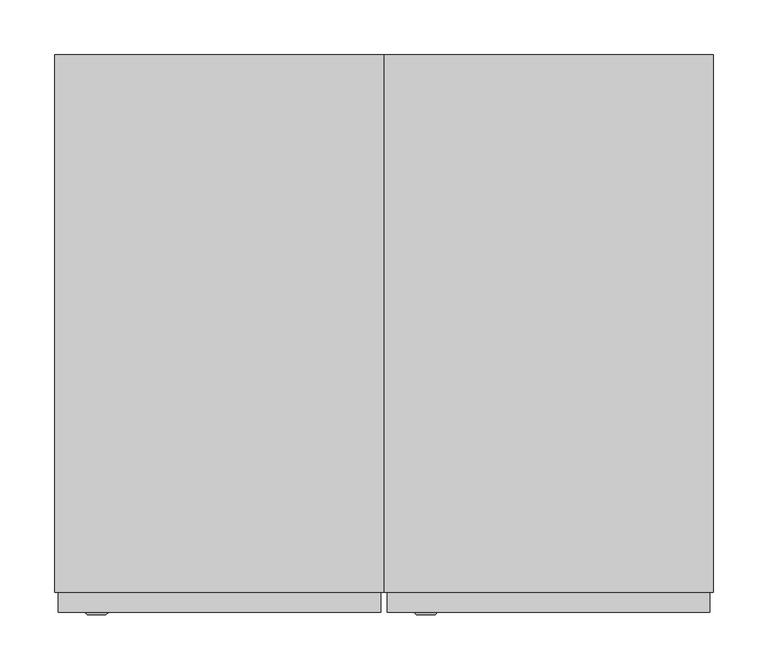
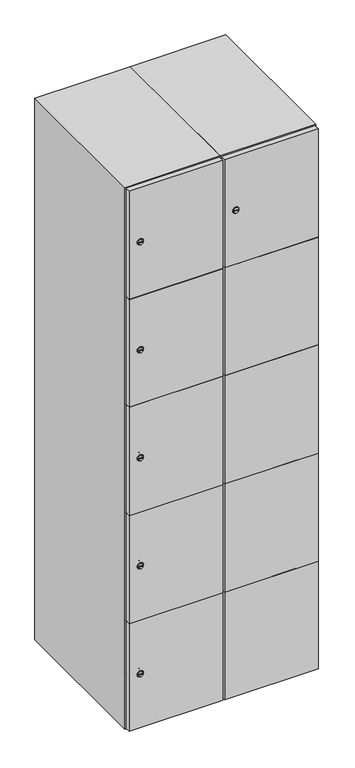
"""IFC4 building model written with IfcOpenShell, lengths in millimetres: furniture geometry."""

import ifcopenshell
import ifcopenshell.guid

model = None  # the IFC model being written
_history = None  # IfcOwnerHistory: only IFC2X3 demands one
_inside = {}  # id of a spatial element -> (the spatial element, [elements in it])
_under = {}  # id of a project, library or spatial element -> (it, [spatial elements below it])
_declared = {}  # id of a project -> (the project, [libraries it declares])
_typed = {}  # id of a type object -> (the type object, [elements of that type])
_made_of = {}  # id of a material, layer set ... -> (it, [elements and type objects made of it])


def new_model(schema):
    """Start an empty IFC model of exactly this schema.

    Asked for "IFC4X3", IfcOpenShell would pick the latest addendum, in which some entities
    have other attributes; the version numbers below select the first issue.
    IFC2X3 requires an IfcOwnerHistory on every rooted entity: one is made here for all.
    """
    global model, _history
    if schema == "IFC4X3":
        model = ifcopenshell.file(schema_version=(4, 3, 0, 0))
    else:
        model = ifcopenshell.file(schema=schema)
    _inside.clear()
    _under.clear()
    _declared.clear()
    _typed.clear()
    _made_of.clear()
    _history = None
    if model.schema == "IFC2X3":
        org = make("IfcOrganization", Name="unknown")
        user = make(
            "IfcPersonAndOrganization",
            ThePerson=make("IfcPerson", FamilyName="unknown"),
            TheOrganization=org,
        )
        app = make(
            "IfcApplication",
            ApplicationDeveloper=org,
            Version="unknown",
            ApplicationFullName="unknown",
            ApplicationIdentifier="unknown",
        )
        _history = make(
            "IfcOwnerHistory",
            OwningUser=user,
            OwningApplication=app,
            ChangeAction="ADDED",
            CreationDate=0,
        )
    return model


def make(cls, **values):
    """One entity of the class cls with the attributes given. An attribute that is None is left unset."""
    return model.create_entity(
        cls, **{name: value for name, value in values.items() if value is not None}
    )


def rooted(cls, **values):
    """An entity with a GlobalId (a new one), such as an element, a storey or a relation."""
    return make(cls, GlobalId=ifcopenshell.guid.new(), OwnerHistory=_history, **values)


def si_unit(unit_type, name, prefix=None):
    """IfcSIUnit, for example si_unit("LENGTHUNIT", "METRE", prefix="MILLI")."""
    return make("IfcSIUnit", UnitType=unit_type, Prefix=prefix, Name=name)


def assignment(units):
    """IfcUnitAssignment: the units of a project."""
    return None if units is None else make("IfcUnitAssignment", Units=units)


def point(xyz):
    """IfcCartesianPoint."""
    return None if xyz is None else make("IfcCartesianPoint", Coordinates=xyz)


def direction(xyz):
    """IfcDirection."""
    return None if xyz is None else make("IfcDirection", DirectionRatios=xyz)


def frame(location, z_axis=None, x_axis=None):
    """IfcAxis2Placement3D, a coordinate frame: its origin and axes. An axis left out is left unset."""
    return make(
        "IfcAxis2Placement3D",
        Location=point(location),
        Axis=direction(z_axis),
        RefDirection=direction(x_axis),
    )


def frame_2d(location, x_axis=None):
    """IfcAxis2Placement2D, a coordinate frame in the plane: its origin and x axis."""
    return make(
        "IfcAxis2Placement2D", Location=point(location), RefDirection=direction(x_axis)
    )


def origin():
    """The frame at (0, 0, 0) with its axes left unset."""
    return frame((0.0, 0.0, 0.0))


def place(relative_to, where):
    """IfcLocalPlacement: puts the frame where relative to a parent placement (None: the world)."""
    return make(
        "IfcLocalPlacement", PlacementRelTo=relative_to, RelativePlacement=where
    )


def context(
    kind, dimensions, precision=None, world=None, true_north=None, identifier=None
):
    """IfcGeometricRepresentationContext, for example the 3D "Model" context."""
    return make(
        "IfcGeometricRepresentationContext",
        ContextIdentifier=identifier,
        ContextType=kind,
        CoordinateSpaceDimension=dimensions,
        Precision=precision,
        WorldCoordinateSystem=world,
        TrueNorth=true_north,
    )


def project(units=None, contexts=None):
    """IfcProject with its units and contexts."""
    return rooted(
        "IfcProject",
        Name="project",
        RepresentationContexts=contexts,
        UnitsInContext=assignment(units),
    )


def spatial(cls, under=None, at=None, **own):
    """A site, building, storey or space (cls), placed at a placement, below another one or the project."""
    s = rooted(cls, ObjectPlacement=at, **own)
    if under is not None:
        _under.setdefault(under.id(), (under, []))[1].append(s)
    return s


def polyline(points):
    """IfcPolyline through the points."""
    return make("IfcPolyline", Points=[point(p) for p in points])


def circle_curve(where, radius):
    """IfcCircle in the frame where."""
    return make("IfcCircle", Position=where, Radius=radius)


def trimmed(basis, trim1, trim2, sense, master):
    """IfcTrimmedCurve: the piece of a basis curve between two trims."""
    return make(
        "IfcTrimmedCurve",
        BasisCurve=basis,
        Trim1=trim1,
        Trim2=trim2,
        SenseAgreement=sense,
        MasterRepresentation=master,
    )


def segment(curve, same_sense, transition):
    """IfcCompositeCurveSegment."""
    return make(
        "IfcCompositeCurveSegment",
        Transition=transition,
        SameSense=same_sense,
        ParentCurve=curve,
    )


def composite_curve(segments, self_intersect=None):
    """IfcCompositeCurve: segments joined end to end."""
    return make("IfcCompositeCurve", Segments=segments, SelfIntersect=self_intersect)


def outline(outer, holes=None, kind="AREA"):
    """IfcArbitraryClosedProfileDef: a profile drawn as a closed curve; with holes, ...WithVoids."""
    if holes is None:
        return make("IfcArbitraryClosedProfileDef", ProfileType=kind, OuterCurve=outer)
    return make(
        "IfcArbitraryProfileDefWithVoids",
        ProfileType=kind,
        OuterCurve=outer,
        InnerCurves=holes,
    )


def extrude(swept, where, along, depth):
    """IfcExtrudedAreaSolid: the profile swept, set in the frame where, extruded along a direction by depth."""
    return make(
        "IfcExtrudedAreaSolid",
        SweptArea=swept,
        Position=where,
        ExtrudedDirection=direction(along),
        Depth=depth,
    )


def faces_of(points, faces, orient=None, outer=None):
    """IfcFace entities. A face is a list of loops; a loop is a list of indices into points, from 0.

    orient and outer hold one flag for each loop. By default every Orientation is true, the
    first loop of a face is its IfcFaceOuterBound and the others are IfcFaceBound.
    """
    made = []
    for i, loops in enumerate(faces):
        bounds = []
        for j, loop in enumerate(loops):
            is_outer = j == 0 if outer is None else outer[i][j]
            bounds.append(
                make(
                    "IfcFaceOuterBound" if is_outer else "IfcFaceBound",
                    Bound=make("IfcPolyLoop", Polygon=[points[k] for k in loop]),
                    Orientation=True if orient is None else orient[i][j],
                )
            )
        made.append(make("IfcFace", Bounds=bounds))
    return made


def faceted_brep(points, faces, orient=None, outer=None, voids=None):
    """IfcFacetedBrep: a solid bounded by flat faces; with voids (closed shells), ...WithVoids."""
    shared = [point(p) for p in points]
    hull = make("IfcClosedShell", CfsFaces=faces_of(shared, faces, orient, outer))
    if voids is None:
        return make("IfcFacetedBrep", Outer=hull)
    return make(
        "IfcFacetedBrepWithVoids",
        Outer=hull,
        Voids=[
            make(cls, CfsFaces=faces_of(shared, fs, o, b)) for cls, fs, o, b in voids
        ],
    )


def shape(context_of_items, identifier, shape_type, items):
    """IfcShapeRepresentation: the items that make up one representation, for example the "Body"."""
    return make(
        "IfcShapeRepresentation",
        ContextOfItems=context_of_items,
        RepresentationIdentifier=identifier,
        RepresentationType=shape_type,
        Items=items,
    )


def source(mapping_origin, context_of_items, identifier, shape_type, items):
    """IfcRepresentationMap: a shape defined once, which mapped items show again and again."""
    return make(
        "IfcRepresentationMap",
        MappingOrigin=mapping_origin,
        MappedRepresentation=shape(context_of_items, identifier, shape_type, items),
    )


def transform(
    local_origin,
    x_axis=None,
    y_axis=None,
    z_axis=None,
    scale=None,
    scale2=None,
    scale3=None,
    uniform=True,
):
    """IfcCartesianTransformationOperator3D, or its non-uniform kind. x_axis, y_axis, z_axis: its Axis1, 2, 3."""
    if uniform:
        return make(
            "IfcCartesianTransformationOperator3D",
            Axis1=direction(x_axis),
            Axis2=direction(y_axis),
            LocalOrigin=point(local_origin),
            Scale=scale,
            Axis3=direction(z_axis),
        )
    return make(
        "IfcCartesianTransformationOperator3DnonUniform",
        Axis1=direction(x_axis),
        Axis2=direction(y_axis),
        LocalOrigin=point(local_origin),
        Scale=scale,
        Axis3=direction(z_axis),
        Scale2=scale2,
        Scale3=scale3,
    )


def mapped(mapping_source, mapping_target):
    """IfcMappedItem: shows the shape of a source again, moved by a transform."""
    return make(
        "IfcMappedItem", MappingSource=mapping_source, MappingTarget=mapping_target
    )


def made_of(thing, what):
    """Note that an element or type object is made of a material, layer set ...; save() writes the relation."""
    if what is not None:
        _made_of.setdefault(what.id(), (what, []))[1].append(thing)
    return thing


def element(
    cls,
    number,
    at=None,
    inside=None,
    cuts=None,
    type_object=None,
    material=None,
    context=None,
    identifier="Body",
    shape_type=None,
    held_by="IfcProductDefinitionShape",
    body=None,
    shapes=None,
    **own,
):
    """One element of the class cls, such as IfcWall. Its Tag is "e" and its number.

    at: its placement. inside: the storey or other place that contains it. cuts: it is an
    opening in that element (IfcRelVoidsElement). A single representation is given by context,
    identifier, shape_type and body (its items); several are given by shapes. held_by: the class
    of the entity that holds the representations. save() writes the other relations.
    """
    e = rooted(cls, Tag="e%d" % number, ObjectPlacement=at, **own)
    if body is not None:
        shapes = [shape(context, identifier, shape_type, body)]
    if shapes is not None:
        e.Representation = make(held_by, Representations=shapes)
    if inside is not None:
        _inside.setdefault(inside.id(), (inside, []))[1].append(e)
    if cuts is not None:
        rooted(
            "IfcRelVoidsElement", RelatingBuildingElement=cuts, RelatedOpeningElement=e
        )
    if type_object is not None:
        _typed.setdefault(type_object.id(), (type_object, []))[1].append(e)
    return made_of(e, material)


def aggregate(whole, parts):
    """IfcRelAggregates: a whole, such as a stair, and the parts it consists of."""
    return rooted("IfcRelAggregates", RelatingObject=whole, RelatedObjects=parts)


def save(model, path):
    """Write the relations noted so far, then the file.

    IfcRelAggregates (storeys below a building ...), IfcRelContainedInSpatialStructure (elements
    in a storey), IfcRelDefinesByType, IfcRelAssociatesMaterial and IfcRelDeclares: one each for
    every whole, place, type object, material and project.
    """
    for whole, parts in _under.values():
        aggregate(whole, parts)
    for where, things in _inside.values():
        rooted(
            "IfcRelContainedInSpatialStructure",
            RelatedElements=things,
            RelatingStructure=where,
        )
    for kind, things in _typed.values():
        rooted("IfcRelDefinesByType", RelatedObjects=things, RelatingType=kind)
    for what, things in _made_of.values():
        rooted("IfcRelAssociatesMaterial", RelatedObjects=things, RelatingMaterial=what)
    for by, libraries in _declared.values():
        rooted("IfcRelDeclares", RelatingContext=by, RelatedDefinitions=libraries)
    model.write(path)


def plane_surface(at):
    """IfcPlane: the flat surface through the origin of the frame at, square to its z axis."""
    return make("IfcPlane", Position=at)


def revolved_surface(curve, axis_point, axis_direction):
    """IfcSurfaceOfRevolution: the curve turned about the line through axis_point along axis_direction."""
    return make(
        "IfcSurfaceOfRevolution",
        SweptCurve=make("IfcArbitraryOpenProfileDef", ProfileType="CURVE", Curve=curve),
        AxisPosition=make("IfcAxis1Placement", Location=point(axis_point), Axis=direction(axis_direction)),
    )


def advanced_brep(points, edges, surfaces, faces):
    """IfcAdvancedBrep: a solid bounded by faces that lie on surfaces and meet in shared edges.

    An edge is (start, end): straight between two places in points (the first is 0);
    or (start, end, curve); or (start, end, curve, False) where it runs against its curve.
    A face is (place in surfaces, loops), or (place, loops, False) where it looks against
    its surface's normal. A loop lists edges by number (the first is 1), with a minus sign
    where the edge is run from its end to its start. The first loop is the outer one.
    """
    corners = [point(p) for p in points]
    vertices = [make("IfcVertexPoint", VertexGeometry=c) for c in corners]
    made = []
    for start, end, *more in edges:
        made.append(
            make(
                "IfcEdgeCurve",
                EdgeStart=vertices[start],
                EdgeEnd=vertices[end],
                EdgeGeometry=more[0] if more else make("IfcPolyline", Points=[corners[start], corners[end]]),
                SameSense=more[1] if len(more) > 1 else True,
            )
        )
    hull = []
    for where, loops, *sense in faces:
        bounds = []
        for j, loop in enumerate(loops):
            ring = [make("IfcOrientedEdge", EdgeElement=made[abs(k) - 1], Orientation=k > 0) for k in loop]
            bounds.append(
                make(
                    "IfcFaceOuterBound" if j == 0 else "IfcFaceBound",
                    Bound=make("IfcEdgeLoop", EdgeList=ring),
                    Orientation=True,
                )
            )
        hull.append(make("IfcAdvancedFace", Bounds=bounds, FaceSurface=surfaces[where], SameSense=sense[0] if sense else True))
    return make("IfcAdvancedBrep", Outer=make("IfcClosedShell", CfsFaces=hull))


def furniture_dcff5362(model_context):
    return source(origin(), model_context, "Body", "SolidModel", [
        advanced_brep(
        [(146.5, -265.2, 1652.6), (129.5, -265.2, 1652.6), (133.0, -265.2, 1651.35), (133.0, -265.2, 1653.85), (143.0, -265.2, 1653.85), (143.0, -265.2, 1651.35), (148.5, -263.0, 1652.6), (127.5, -263.0, 1652.6), (133.0, -263.0, 1653.85), (133.0, -263.0, 1651.35), (143.0, -263.0, 1651.35), (143.0, -263.0, 1653.85)],
        [
            (0, 1, circle_curve(frame((138.0, -265.2, 1652.6), z_axis=(0.0, -1.0, 0.0), x_axis=(1.0, 0.0, 0.0)), 8.5)),
            (1, 0, circle_curve(frame((138.0, -265.2, 1652.6), z_axis=(0.0, -1.0, 0.0), x_axis=(-1.0, 0.0, 0.0)), 8.5)),
            (2, 3),
            (3, 4),
            (4, 5),
            (5, 2),
            (6, 7, circle_curve(frame((138.0, -263.0, 1652.6), z_axis=(0.0, 1.0, 0.0), x_axis=(-1.0, 0.0, 0.0)), 10.5)),
            (7, 6, circle_curve(frame((138.0, -263.0, 1652.6), z_axis=(0.0, 1.0, 0.0), x_axis=(1.0, 0.0, 0.0)), 10.5)),
            (8, 9),
            (9, 10),
            (10, 11),
            (11, 8),
            (0, 6),
            (7, 1),
            (8, 3),
            (2, 9),
            (11, 4),
            (10, 5),
        ],
        [
            plane_surface(frame((138.0, -265.2, 1652.6), z_axis=(0.0, -1.0, 0.0), x_axis=(0.0, 0.0, 1.0))),
            plane_surface(frame((138.0, -263.0, 1652.6), z_axis=(0.0, 1.0, 0.0), x_axis=(0.0, 0.0, 1.0))),
            revolved_surface(polyline([(146.5, -265.2, 1652.6), (148.5, -263.0, 1652.6)]), (138.0, -274.55, 1652.6), (0.0, 1.0, 0.0)),
            revolved_surface(polyline([(129.5, -265.2, 1652.6), (127.5, -263.0, 1652.6)]), (138.0, -274.55, 1652.6), (0.0, 1.0, 0.0)),
            plane_surface(frame((133.0, -263.0, 1651.35), z_axis=(1.0, 0.0, 0.0), x_axis=(0.0, -1.0, 0.0))),
            plane_surface(frame((133.0, -263.0, 1653.85), z_axis=(0.0, 0.0, -1.0), x_axis=(0.0, -1.0, 0.0))),
            plane_surface(frame((143.0, -263.0, 1653.85), z_axis=(-1.0, 0.0, 0.0), x_axis=(0.0, -1.0, 0.0))),
            plane_surface(frame((143.0, -263.0, 1651.35), z_axis=(0.0, 0.0, 1.0), x_axis=(0.0, -1.0, 0.0))),
        ],
        [
            (0, [[1, 2], [3, 4, 5, 6]]),
            (1, [[7, 8], [9, 10, 11, 12]]),
            (2, [[-1, 13, -8, 14]]),
            (3, [[-2, -14, -7, -13]]),
            (4, [[15, -3, 16, -9]]),
            (5, [[-15, -12, 17, -4]]),
            (6, [[-17, -11, 18, -5]]),
            (7, [[-16, -6, -18, -10]]),
        ],
    ),
        extrude(outline(polyline([(397.0, -245.0), (397.0, -263.0), (103.0, -263.0), (103.0, -245.0), (397.0, -245.0)])), frame((0.0, 0.0, 755.1), z_axis=(0.0, 0.0, 1.0), x_axis=(1.0, 0.0, 0.0)), (0.0, 0.0, 1.0), 359.8),
        extrude(outline(polyline([(397.0, -245.0), (397.0, -263.0), (103.0, -263.0), (103.0, -245.0), (397.0, -245.0)])), frame((0.0, 0.0, 396.3), z_axis=(0.0, 0.0, 1.0), x_axis=(1.0, 0.0, 0.0)), (0.0, 0.0, 1.0), 359.8),
        extrude(outline(polyline([(397.0, -245.0), (397.0, -263.0), (103.0, -263.0), (103.0, -245.0), (397.0, -245.0)])), frame((0.0, 0.0, 1113.9), z_axis=(0.0, 0.0, 1.0), x_axis=(1.0, 0.0, 0.0)), (0.0, 0.0, 1.0), 358.8),
        extrude(outline(polyline([(103.0, -263.0), (103.0, -245.0), (397.0, -245.0), (397.0, -263.0), (103.0, -263.0)])), frame((0.0, 0.0, 1473.7), z_axis=(0.0, 0.0, 1.0), x_axis=(1.0, 0.0, 0.0)), (0.0, 0.0, 1.0), 358.3),
        extrude(outline(polyline([(397.0, -245.0), (397.0, -263.0), (103.0, -263.0), (103.0, -245.0), (397.0, -245.0)])), frame((0.0, 0.0, 38.0), z_axis=(0.0, 0.0, 1.0), x_axis=(1.0, 0.0, 0.0)), (0.0, 0.0, 1.0), 359.3),
        extrude(outline(polyline([(379.6, 242.0), (379.6, -227.0), (120.4, -227.0), (120.4, 242.0), (379.6, 242.0)])), frame((0.0, 0.0, 1446.68), z_axis=(0.0, 0.0, 1.0), x_axis=(1.0, 0.0, 0.0)), (0.0, 0.0, 1.0), 20.4),
        extrude(outline(polyline([(379.6, 242.0), (379.6, -227.0), (120.4, -227.0), (120.4, 242.0), (379.6, 242.0)])), frame((0.0, 0.0, 1098.76), z_axis=(0.0, 0.0, 1.0), x_axis=(1.0, 0.0, 0.0)), (0.0, 0.0, 1.0), 20.4),
        extrude(outline(polyline([(379.6, 242.0), (379.6, -227.0), (120.4, -227.0), (120.4, 242.0), (379.6, 242.0)])), frame((0.0, 0.0, 750.84), z_axis=(0.0, 0.0, 1.0), x_axis=(1.0, 0.0, 0.0)), (0.0, 0.0, 1.0), 20.4),
        extrude(outline(polyline([(120.4, 242.0), (379.6, 242.0), (379.6, -227.0), (120.4, -227.0), (120.4, 242.0)])), frame((0.0, 0.0, 402.92), z_axis=(0.0, 0.0, 1.0), x_axis=(1.0, 0.0, 0.0)), (0.0, 0.0, 1.0), 20.4),
        faceted_brep([(400.0, -245.0, 35.0), (400.0, -245.0, 1835.0), (100.0, -245.0, 1835.0), (100.0, -245.0, 35.0), (379.6, -245.0, 1804.8), (379.6, -245.0, 65.2), (120.4, -245.0, 65.2), (120.4, -245.0, 1804.8), (400.0, 245.0, 35.0), (100.0, 245.0, 35.0), (400.0, 245.0, 1835.0), (100.0, 245.0, 1835.0), (379.6, 242.0, 1804.8), (379.6, 242.0, 65.2), (100.0, 245.0, 1804.8), (120.4, 242.0, 1804.8), (120.4, 242.0, 65.2)], [[[0, 1, 2, 3], [4, 5, 6, 7]], [[8, 0, 3, 9]], [[1, 0, 8, 10]], [[1, 10, 11, 2]], [[4, 12, 13, 5]], [[9, 3, 2, 11, 14]], [[10, 8, 9, 14, 11]], [[12, 15, 16, 13]], [[15, 7, 6, 16]], [[4, 7, 15, 12]], [[6, 5, 13, 16]]]),
        extrude(outline(composite_curve([segment(trimmed(circle_curve(frame_2d((217.4, -188.7989466)), 7.0), [point((224.4, -188.7989466))], [point((210.4, -188.7989466))], False, "CARTESIAN"), True, "CONTINUOUS"), segment(polyline([(210.4, -188.7989466), (210.4, -160.7989466)]), True, "CONTINUOUS"), segment(trimmed(circle_curve(frame_2d((217.4, -160.7989466)), 7.0), [point((210.4, -160.7989466))], [point((224.4, -160.7989466))], False, "CARTESIAN"), True, "CONTINUOUS"), segment(polyline([(224.4, -160.7989466), (224.4, -188.7989466)]), True, "CONTINUOUS")], self_intersect=False)), frame((0.0, -245.0, 0.0), z_axis=(0.0, 1.0, 0.0), x_axis=(0.0, 0.0, 1.0)), (0.0, 0.0, 1.0), 2.0),
        advanced_brep(
        [(-153.5, -265.2, 217.4), (-170.5, -265.2, 217.4), (-167.0, -265.2, 216.15), (-167.0, -265.2, 218.65), (-157.0, -265.2, 218.65), (-157.0, -265.2, 216.15), (-151.5, -263.0, 217.4), (-172.5, -263.0, 217.4), (-167.0, -263.0, 218.65), (-167.0, -263.0, 216.15), (-157.0, -263.0, 216.15), (-157.0, -263.0, 218.65)],
        [
            (0, 1, circle_curve(frame((-162.0, -265.2, 217.4), z_axis=(0.0, -1.0, 0.0), x_axis=(1.0, 0.0, 0.0)), 8.5)),
            (1, 0, circle_curve(frame((-162.0, -265.2, 217.4), z_axis=(0.0, -1.0, 0.0), x_axis=(-1.0, 0.0, 0.0)), 8.5)),
            (2, 3),
            (3, 4),
            (4, 5),
            (5, 2),
            (6, 7, circle_curve(frame((-162.0, -263.0, 217.4), z_axis=(0.0, 1.0, 0.0), x_axis=(-1.0, 0.0, 0.0)), 10.5)),
            (7, 6, circle_curve(frame((-162.0, -263.0, 217.4), z_axis=(0.0, 1.0, 0.0), x_axis=(1.0, 0.0, 0.0)), 10.5)),
            (8, 9),
            (9, 10),
            (10, 11),
            (11, 8),
            (0, 6),
            (7, 1),
            (8, 3),
            (2, 9),
            (11, 4),
            (10, 5),
        ],
        [
            plane_surface(frame((-162.0, -265.2, 217.4), z_axis=(0.0, -1.0, 0.0), x_axis=(0.0, 0.0, 1.0))),
            plane_surface(frame((-162.0, -263.0, 217.4), z_axis=(0.0, 1.0, 0.0), x_axis=(0.0, 0.0, 1.0))),
            revolved_surface(polyline([(-153.5, -265.2, 217.4), (-151.5, -263.0, 217.4)]), (-162.0, -274.55, 217.4), (0.0, 1.0, 0.0)),
            revolved_surface(polyline([(-170.5, -265.2, 217.4), (-172.5, -263.0, 217.4)]), (-162.0, -274.55, 217.4), (0.0, 1.0, 0.0)),
            plane_surface(frame((-167.0, -263.0, 216.15), z_axis=(1.0, 0.0, 0.0), x_axis=(0.0, -1.0, 0.0))),
            plane_surface(frame((-167.0, -263.0, 218.65), z_axis=(0.0, 0.0, -1.0), x_axis=(0.0, -1.0, 0.0))),
            plane_surface(frame((-157.0, -263.0, 218.65), z_axis=(-1.0, 0.0, 0.0), x_axis=(0.0, -1.0, 0.0))),
            plane_surface(frame((-157.0, -263.0, 216.15), z_axis=(0.0, 0.0, 1.0), x_axis=(0.0, -1.0, 0.0))),
        ],
        [
            (0, [[1, 2], [3, 4, 5, 6]]),
            (1, [[7, 8], [9, 10, 11, 12]]),
            (2, [[-1, 13, -8, 14]]),
            (3, [[-2, -14, -7, -13]]),
            (4, [[15, -3, 16, -9]]),
            (5, [[-15, -12, 17, -4]]),
            (6, [[-17, -11, 18, -5]]),
            (7, [[-16, -6, -18, -10]]),
        ],
    ),
        extrude(outline(composite_curve([segment(trimmed(circle_curve(frame_2d((576.2, -188.7989466)), 7.0), [point((583.2, -188.7989466))], [point((569.2, -188.7989466))], False, "CARTESIAN"), True, "CONTINUOUS"), segment(polyline([(569.2, -188.7989466), (569.2, -160.7989466)]), True, "CONTINUOUS"), segment(trimmed(circle_curve(frame_2d((576.2, -160.7989466)), 7.0), [point((569.2, -160.7989466))], [point((583.2, -160.7989466))], False, "CARTESIAN"), True, "CONTINUOUS"), segment(polyline([(583.2, -160.7989466), (583.2, -188.7989466)]), True, "CONTINUOUS")], self_intersect=False)), frame((0.0, -245.0, 0.0), z_axis=(0.0, 1.0, 0.0), x_axis=(0.0, 0.0, 1.0)), (0.0, 0.0, 1.0), 2.0),
        advanced_brep(
        [(-153.5, -265.2, 576.2), (-170.5, -265.2, 576.2), (-167.0, -265.2, 574.95), (-167.0, -265.2, 577.45), (-157.0, -265.2, 577.45), (-157.0, -265.2, 574.95), (-151.5, -263.0, 576.2), (-172.5, -263.0, 576.2), (-167.0, -263.0, 577.45), (-167.0, -263.0, 574.95), (-157.0, -263.0, 574.95), (-157.0, -263.0, 577.45)],
        [
            (0, 1, circle_curve(frame((-162.0, -265.2, 576.2), z_axis=(0.0, -1.0, 0.0), x_axis=(1.0, 0.0, 0.0)), 8.5)),
            (1, 0, circle_curve(frame((-162.0, -265.2, 576.2), z_axis=(0.0, -1.0, 0.0), x_axis=(-1.0, 0.0, 0.0)), 8.5)),
            (2, 3),
            (3, 4),
            (4, 5),
            (5, 2),
            (6, 7, circle_curve(frame((-162.0, -263.0, 576.2), z_axis=(0.0, 1.0, 0.0), x_axis=(-1.0, 0.0, 0.0)), 10.5)),
            (7, 6, circle_curve(frame((-162.0, -263.0, 576.2), z_axis=(0.0, 1.0, 0.0), x_axis=(1.0, 0.0, 0.0)), 10.5)),
            (8, 9),
            (9, 10),
            (10, 11),
            (11, 8),
            (0, 6),
            (7, 1),
            (8, 3),
            (2, 9),
            (11, 4),
            (10, 5),
        ],
        [
            plane_surface(frame((-162.0, -265.2, 576.2), z_axis=(0.0, -1.0, 0.0), x_axis=(0.0, 0.0, 1.0))),
            plane_surface(frame((-162.0, -263.0, 576.2), z_axis=(0.0, 1.0, 0.0), x_axis=(0.0, 0.0, 1.0))),
            revolved_surface(polyline([(-153.5, -265.2, 576.2), (-151.5, -263.0, 576.2)]), (-162.0, -274.55, 576.2), (0.0, 1.0, 0.0)),
            revolved_surface(polyline([(-170.5, -265.2, 576.2), (-172.5, -263.0, 576.2)]), (-162.0, -274.55, 576.2), (0.0, 1.0, 0.0)),
            plane_surface(frame((-167.0, -263.0, 574.95), z_axis=(1.0, 0.0, 0.0), x_axis=(0.0, -1.0, 0.0))),
            plane_surface(frame((-167.0, -263.0, 577.45), z_axis=(0.0, 0.0, -1.0), x_axis=(0.0, -1.0, 0.0))),
            plane_surface(frame((-157.0, -263.0, 577.45), z_axis=(-1.0, 0.0, 0.0), x_axis=(0.0, -1.0, 0.0))),
            plane_surface(frame((-157.0, -263.0, 574.95), z_axis=(0.0, 0.0, 1.0), x_axis=(0.0, -1.0, 0.0))),
        ],
        [
            (0, [[1, 2], [3, 4, 5, 6]]),
            (1, [[7, 8], [9, 10, 11, 12]]),
            (2, [[-1, 13, -8, 14]]),
            (3, [[-2, -14, -7, -13]]),
            (4, [[15, -3, 16, -9]]),
            (5, [[-15, -12, 17, -4]]),
            (6, [[-17, -11, 18, -5]]),
            (7, [[-16, -6, -18, -10]]),
        ],
    ),
        extrude(outline(composite_curve([segment(trimmed(circle_curve(frame_2d((935.0, -188.7989466)), 7.0), [point((942.0, -188.7989466))], [point((928.0, -188.7989466))], False, "CARTESIAN"), True, "CONTINUOUS"), segment(polyline([(928.0, -188.7989466), (928.0, -160.7989466)]), True, "CONTINUOUS"), segment(trimmed(circle_curve(frame_2d((935.0, -160.7989466)), 7.0), [point((928.0, -160.7989466))], [point((942.0, -160.7989466))], False, "CARTESIAN"), True, "CONTINUOUS"), segment(polyline([(942.0, -160.7989466), (942.0, -188.7989466)]), True, "CONTINUOUS")], self_intersect=False)), frame((0.0, -245.0, 0.0), z_axis=(0.0, 1.0, 0.0), x_axis=(0.0, 0.0, 1.0)), (0.0, 0.0, 1.0), 2.0),
        advanced_brep(
        [(-153.5, -265.2, 935.0), (-170.5, -265.2, 935.0), (-167.0, -265.2, 933.75), (-167.0, -265.2, 936.25), (-157.0, -265.2, 936.25), (-157.0, -265.2, 933.75), (-151.5, -263.0, 935.0), (-172.5, -263.0, 935.0), (-167.0, -263.0, 936.25), (-167.0, -263.0, 933.75), (-157.0, -263.0, 933.75), (-157.0, -263.0, 936.25)],
        [
            (0, 1, circle_curve(frame((-162.0, -265.2, 935.0), z_axis=(0.0, -1.0, 0.0), x_axis=(1.0, 0.0, 0.0)), 8.5)),
            (1, 0, circle_curve(frame((-162.0, -265.2, 935.0), z_axis=(0.0, -1.0, 0.0), x_axis=(-1.0, 0.0, 0.0)), 8.5)),
            (2, 3),
            (3, 4),
            (4, 5),
            (5, 2),
            (6, 7, circle_curve(frame((-162.0, -263.0, 935.0), z_axis=(0.0, 1.0, 0.0), x_axis=(-1.0, 0.0, 0.0)), 10.5)),
            (7, 6, circle_curve(frame((-162.0, -263.0, 935.0), z_axis=(0.0, 1.0, 0.0), x_axis=(1.0, 0.0, 0.0)), 10.5)),
            (8, 9),
            (9, 10),
            (10, 11),
            (11, 8),
            (0, 6),
            (7, 1),
            (8, 3),
            (2, 9),
            (11, 4),
            (10, 5),
        ],
        [
            plane_surface(frame((-162.0, -265.2, 935.0), z_axis=(0.0, -1.0, 0.0), x_axis=(0.0, 0.0, 1.0))),
            plane_surface(frame((-162.0, -263.0, 935.0), z_axis=(0.0, 1.0, 0.0), x_axis=(0.0, 0.0, 1.0))),
            revolved_surface(polyline([(-153.5, -265.2, 935.0), (-151.5, -263.0, 935.0)]), (-162.0, -274.55, 935.0), (0.0, 1.0, 0.0)),
            revolved_surface(polyline([(-170.5, -265.2, 935.0), (-172.5, -263.0, 935.0)]), (-162.0, -274.55, 935.0), (0.0, 1.0, 0.0)),
            plane_surface(frame((-167.0, -263.0, 933.75), z_axis=(1.0, 0.0, 0.0), x_axis=(0.0, -1.0, 0.0))),
            plane_surface(frame((-167.0, -263.0, 936.25), z_axis=(0.0, 0.0, -1.0), x_axis=(0.0, -1.0, 0.0))),
            plane_surface(frame((-157.0, -263.0, 936.25), z_axis=(-1.0, 0.0, 0.0), x_axis=(0.0, -1.0, 0.0))),
            plane_surface(frame((-157.0, -263.0, 933.75), z_axis=(0.0, 0.0, 1.0), x_axis=(0.0, -1.0, 0.0))),
        ],
        [
            (0, [[1, 2], [3, 4, 5, 6]]),
            (1, [[7, 8], [9, 10, 11, 12]]),
            (2, [[-1, 13, -8, 14]]),
            (3, [[-2, -14, -7, -13]]),
            (4, [[15, -3, 16, -9]]),
            (5, [[-15, -12, 17, -4]]),
            (6, [[-17, -11, 18, -5]]),
            (7, [[-16, -6, -18, -10]]),
        ],
    ),
        extrude(outline(composite_curve([segment(trimmed(circle_curve(frame_2d((1293.8, -188.7989466)), 7.0), [point((1300.8, -188.7989466))], [point((1286.8, -188.7989466))], False, "CARTESIAN"), True, "CONTINUOUS"), segment(polyline([(1286.8, -188.7989466), (1286.8, -160.7989466)]), True, "CONTINUOUS"), segment(trimmed(circle_curve(frame_2d((1293.8, -160.7989466)), 7.0), [point((1286.8, -160.7989466))], [point((1300.8, -160.7989466))], False, "CARTESIAN"), True, "CONTINUOUS"), segment(polyline([(1300.8, -160.7989466), (1300.8, -188.7989466)]), True, "CONTINUOUS")], self_intersect=False)), frame((0.0, -245.0, 0.0), z_axis=(0.0, 1.0, 0.0), x_axis=(0.0, 0.0, 1.0)), (0.0, 0.0, 1.0), 2.0),
        advanced_brep(
        [(-153.5, -265.2, 1293.8), (-170.5, -265.2, 1293.8), (-167.0, -265.2, 1292.55), (-167.0, -265.2, 1295.05), (-157.0, -265.2, 1295.05), (-157.0, -265.2, 1292.55), (-151.5, -263.0, 1293.8), (-172.5, -263.0, 1293.8), (-167.0, -263.0, 1295.05), (-167.0, -263.0, 1292.55), (-157.0, -263.0, 1292.55), (-157.0, -263.0, 1295.05)],
        [
            (0, 1, circle_curve(frame((-162.0, -265.2, 1293.8), z_axis=(0.0, -1.0, 0.0), x_axis=(1.0, 0.0, 0.0)), 8.5)),
            (1, 0, circle_curve(frame((-162.0, -265.2, 1293.8), z_axis=(0.0, -1.0, 0.0), x_axis=(-1.0, 0.0, 0.0)), 8.5)),
            (2, 3),
            (3, 4),
            (4, 5),
            (5, 2),
            (6, 7, circle_curve(frame((-162.0, -263.0, 1293.8), z_axis=(0.0, 1.0, 0.0), x_axis=(-1.0, 0.0, 0.0)), 10.5)),
            (7, 6, circle_curve(frame((-162.0, -263.0, 1293.8), z_axis=(0.0, 1.0, 0.0), x_axis=(1.0, 0.0, 0.0)), 10.5)),
            (8, 9),
            (9, 10),
            (10, 11),
            (11, 8),
            (0, 6),
            (7, 1),
            (8, 3),
            (2, 9),
            (11, 4),
            (10, 5),
        ],
        [
            plane_surface(frame((-162.0, -265.2, 1293.8), z_axis=(0.0, -1.0, 0.0), x_axis=(0.0, 0.0, 1.0))),
            plane_surface(frame((-162.0, -263.0, 1293.8), z_axis=(0.0, 1.0, 0.0), x_axis=(0.0, 0.0, 1.0))),
            revolved_surface(polyline([(-153.5, -265.2, 1293.8), (-151.5, -263.0, 1293.8)]), (-162.0, -274.55, 1293.8), (0.0, 1.0, 0.0)),
            revolved_surface(polyline([(-170.5, -265.2, 1293.8), (-172.5, -263.0, 1293.8)]), (-162.0, -274.55, 1293.8), (0.0, 1.0, 0.0)),
            plane_surface(frame((-167.0, -263.0, 1292.55), z_axis=(1.0, 0.0, 0.0), x_axis=(0.0, -1.0, 0.0))),
            plane_surface(frame((-167.0, -263.0, 1295.05), z_axis=(0.0, 0.0, -1.0), x_axis=(0.0, -1.0, 0.0))),
            plane_surface(frame((-157.0, -263.0, 1295.05), z_axis=(-1.0, 0.0, 0.0), x_axis=(0.0, -1.0, 0.0))),
            plane_surface(frame((-157.0, -263.0, 1292.55), z_axis=(0.0, 0.0, 1.0), x_axis=(0.0, -1.0, 0.0))),
        ],
        [
            (0, [[1, 2], [3, 4, 5, 6]]),
            (1, [[7, 8], [9, 10, 11, 12]]),
            (2, [[-1, 13, -8, 14]]),
            (3, [[-2, -14, -7, -13]]),
            (4, [[15, -3, 16, -9]]),
            (5, [[-15, -12, 17, -4]]),
            (6, [[-17, -11, 18, -5]]),
            (7, [[-16, -6, -18, -10]]),
        ],
    ),
        extrude(outline(composite_curve([segment(trimmed(circle_curve(frame_2d((1652.6, -188.7989466)), 7.0), [point((1659.6, -188.7989466))], [point((1645.6, -188.7989466))], False, "CARTESIAN"), True, "CONTINUOUS"), segment(polyline([(1645.6, -188.7989466), (1645.6, -160.7989466)]), True, "CONTINUOUS"), segment(trimmed(circle_curve(frame_2d((1652.6, -160.7989466)), 7.0), [point((1645.6, -160.7989466))], [point((1659.6, -160.7989466))], False, "CARTESIAN"), True, "CONTINUOUS"), segment(polyline([(1659.6, -160.7989466), (1659.6, -188.7989466)]), True, "CONTINUOUS")], self_intersect=False)), frame((0.0, -245.0, 0.0), z_axis=(0.0, 1.0, 0.0), x_axis=(0.0, 0.0, 1.0)), (0.0, 0.0, 1.0), 2.0),
        advanced_brep(
        [(-153.5, -265.2, 1652.6), (-170.5, -265.2, 1652.6), (-167.0, -265.2, 1651.35), (-167.0, -265.2, 1653.85), (-157.0, -265.2, 1653.85), (-157.0, -265.2, 1651.35), (-151.5, -263.0, 1652.6), (-172.5, -263.0, 1652.6), (-167.0, -263.0, 1653.85), (-167.0, -263.0, 1651.35), (-157.0, -263.0, 1651.35), (-157.0, -263.0, 1653.85)],
        [
            (0, 1, circle_curve(frame((-162.0, -265.2, 1652.6), z_axis=(0.0, -1.0, 0.0), x_axis=(1.0, 0.0, 0.0)), 8.5)),
            (1, 0, circle_curve(frame((-162.0, -265.2, 1652.6), z_axis=(0.0, -1.0, 0.0), x_axis=(-1.0, 0.0, 0.0)), 8.5)),
            (2, 3),
            (3, 4),
            (4, 5),
            (5, 2),
            (6, 7, circle_curve(frame((-162.0, -263.0, 1652.6), z_axis=(0.0, 1.0, 0.0), x_axis=(-1.0, 0.0, 0.0)), 10.5)),
            (7, 6, circle_curve(frame((-162.0, -263.0, 1652.6), z_axis=(0.0, 1.0, 0.0), x_axis=(1.0, 0.0, 0.0)), 10.5)),
            (8, 9),
            (9, 10),
            (10, 11),
            (11, 8),
            (0, 6),
            (7, 1),
            (8, 3),
            (2, 9),
            (11, 4),
            (10, 5),
        ],
        [
            plane_surface(frame((-162.0, -265.2, 1652.6), z_axis=(0.0, -1.0, 0.0), x_axis=(0.0, 0.0, 1.0))),
            plane_surface(frame((-162.0, -263.0, 1652.6), z_axis=(0.0, 1.0, 0.0), x_axis=(0.0, 0.0, 1.0))),
            revolved_surface(polyline([(-153.5, -265.2, 1652.6), (-151.5, -263.0, 1652.6)]), (-162.0, -274.55, 1652.6), (0.0, 1.0, 0.0)),
            revolved_surface(polyline([(-170.5, -265.2, 1652.6), (-172.5, -263.0, 1652.6)]), (-162.0, -274.55, 1652.6), (0.0, 1.0, 0.0)),
            plane_surface(frame((-167.0, -263.0, 1651.35), z_axis=(1.0, 0.0, 0.0), x_axis=(0.0, -1.0, 0.0))),
            plane_surface(frame((-167.0, -263.0, 1653.85), z_axis=(0.0, 0.0, -1.0), x_axis=(0.0, -1.0, 0.0))),
            plane_surface(frame((-157.0, -263.0, 1653.85), z_axis=(-1.0, 0.0, 0.0), x_axis=(0.0, -1.0, 0.0))),
            plane_surface(frame((-157.0, -263.0, 1651.35), z_axis=(0.0, 0.0, 1.0), x_axis=(0.0, -1.0, 0.0))),
        ],
        [
            (0, [[1, 2], [3, 4, 5, 6]]),
            (1, [[7, 8], [9, 10, 11, 12]]),
            (2, [[-1, 13, -8, 14]]),
            (3, [[-2, -14, -7, -13]]),
            (4, [[15, -3, 16, -9]]),
            (5, [[-15, -12, 17, -4]]),
            (6, [[-17, -11, 18, -5]]),
            (7, [[-16, -6, -18, -10]]),
        ],
    ),
        extrude(outline(polyline([(97.0, -245.0), (97.0, -263.0), (-197.0, -263.0), (-197.0, -245.0), (97.0, -245.0)])), frame((0.0, 0.0, 755.1), z_axis=(0.0, 0.0, 1.0), x_axis=(1.0, 0.0, 0.0)), (0.0, 0.0, 1.0), 359.8),
        extrude(outline(polyline([(97.0, -245.0), (97.0, -263.0), (-197.0, -263.0), (-197.0, -245.0), (97.0, -245.0)])), frame((0.0, 0.0, 396.3), z_axis=(0.0, 0.0, 1.0), x_axis=(1.0, 0.0, 0.0)), (0.0, 0.0, 1.0), 359.8),
        extrude(outline(polyline([(97.0, -245.0), (97.0, -263.0), (-197.0, -263.0), (-197.0, -245.0), (97.0, -245.0)])), frame((0.0, 0.0, 1113.9), z_axis=(0.0, 0.0, 1.0), x_axis=(1.0, 0.0, 0.0)), (0.0, 0.0, 1.0), 358.8),
        extrude(outline(polyline([(-197.0, -263.0), (-197.0, -245.0), (97.0, -245.0), (97.0, -263.0), (-197.0, -263.0)])), frame((0.0, 0.0, 1473.7), z_axis=(0.0, 0.0, 1.0), x_axis=(1.0, 0.0, 0.0)), (0.0, 0.0, 1.0), 358.3),
        extrude(outline(polyline([(97.0, -245.0), (97.0, -263.0), (-197.0, -263.0), (-197.0, -245.0), (97.0, -245.0)])), frame((0.0, 0.0, 38.0), z_axis=(0.0, 0.0, 1.0), x_axis=(1.0, 0.0, 0.0)), (0.0, 0.0, 1.0), 359.3),
        extrude(outline(polyline([(79.6, 242.0), (79.6, -227.0), (-179.6, -227.0), (-179.6, 242.0), (79.6, 242.0)])), frame((0.0, 0.0, 1446.68), z_axis=(0.0, 0.0, 1.0), x_axis=(1.0, 0.0, 0.0)), (0.0, 0.0, 1.0), 20.4),
        extrude(outline(polyline([(79.6, 242.0), (79.6, -227.0), (-179.6, -227.0), (-179.6, 242.0), (79.6, 242.0)])), frame((0.0, 0.0, 1098.76), z_axis=(0.0, 0.0, 1.0), x_axis=(1.0, 0.0, 0.0)), (0.0, 0.0, 1.0), 20.4),
        extrude(outline(polyline([(79.6, 242.0), (79.6, -227.0), (-179.6, -227.0), (-179.6, 242.0), (79.6, 242.0)])), frame((0.0, 0.0, 750.84), z_axis=(0.0, 0.0, 1.0), x_axis=(1.0, 0.0, 0.0)), (0.0, 0.0, 1.0), 20.4),
        extrude(outline(polyline([(-179.6, 242.0), (79.6, 242.0), (79.6, -227.0), (-179.6, -227.0), (-179.6, 242.0)])), frame((0.0, 0.0, 402.92), z_axis=(0.0, 0.0, 1.0), x_axis=(1.0, 0.0, 0.0)), (0.0, 0.0, 1.0), 20.4),
        faceted_brep([(100.0, -245.0, 35.0), (100.0, -245.0, 1835.0), (-200.0, -245.0, 1835.0), (-200.0, -245.0, 35.0), (79.6, -245.0, 1804.8), (79.6, -245.0, 65.2), (-179.6, -245.0, 65.2), (-179.6, -245.0, 1804.8), (100.0, 245.0, 35.0), (-200.0, 245.0, 35.0), (100.0, 245.0, 1835.0), (-200.0, 245.0, 1835.0), (79.6, 242.0, 1804.8), (79.6, 242.0, 65.2), (-200.0, 245.0, 1804.8), (-179.6, 242.0, 1804.8), (-179.6, 242.0, 65.2)], [[[0, 1, 2, 3], [4, 5, 6, 7]], [[8, 0, 3, 9]], [[1, 0, 8, 10]], [[1, 10, 11, 2]], [[4, 12, 13, 5]], [[9, 3, 2, 11, 14]], [[10, 8, 9, 14, 11]], [[12, 15, 16, 13]], [[15, 7, 6, 16]], [[4, 7, 15, 12]], [[6, 5, 13, 16]]]),
    ])


if __name__ == "__main__":
    model = new_model("IFC4")
    model_context = context("Model", 3, world=origin())
    ifc_project = project(units=[si_unit("LENGTHUNIT", "METRE", prefix="MILLI")], contexts=[model_context])
    site = spatial("IfcSite", under=ifc_project)
    building = spatial("IfcBuilding", under=site)
    placement = place(None, origin())
    furniture_shape = furniture_dcff5362(model_context)
    element("IfcFurniture", 1, at=placement, inside=building, context=model_context, shape_type="MappedRepresentation", body=[
        mapped(furniture_shape, transform((0.0, 0.0, 0.0), x_axis=(1.0, 0.0, 0.0), y_axis=(0.0, 1.0, 0.0), z_axis=(0.0, 0.0, 1.0))),
    ])
    save(model, "model.ifc")
